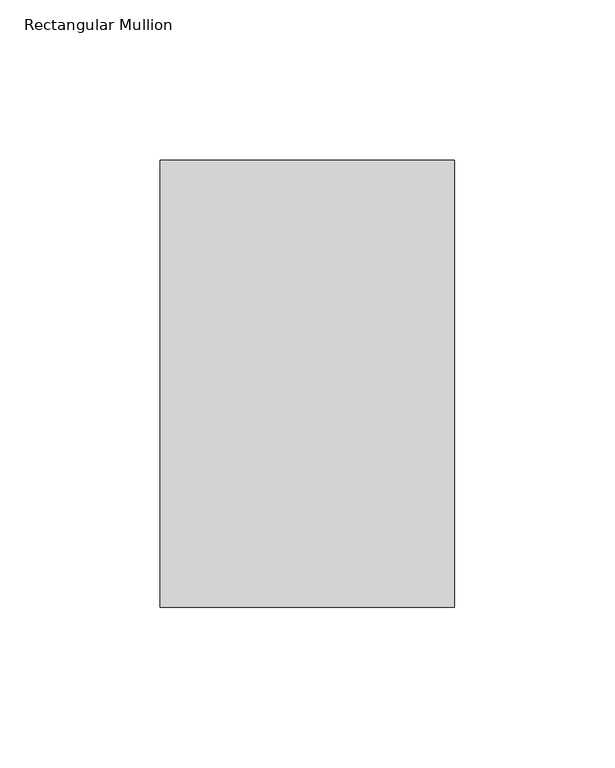
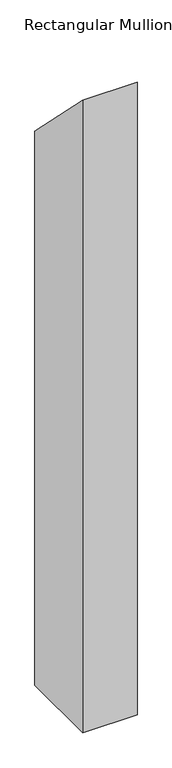
"""IFC4 building model written with IfcOpenShell, lengths in millimetres: member geometry, Rectangular Mullion."""

from ifc_helpers import new_model, si_unit, frame, origin, place, context, project, spatial, polyline, outline, extrude, source, transform, mapped, element, save


def rectangular_mullion_30ee9d08(model_context):
    return source(origin(), model_context, "Body", "SweptSolid", [
        extrude(outline(polyline([(50.8198168, -50.8198168), (190.4182179, -190.4182179), (190.4182179, -1181.4309706), (50.8198168, -1181.4309706), (50.8198168, -50.8198168)])), frame((-92.0626246, 0.0, 0.0), z_axis=(1.0, 0.0, 0.0), x_axis=(0.0, 1.0, 0.0)), (0.0, 0.0, 1.0), 92.0626246),
    ])


if __name__ == "__main__":
    model = new_model("IFC4")
    model_context = context("Model", 3, world=origin())
    ifc_project = project(units=[si_unit("LENGTHUNIT", "METRE", prefix="MILLI")], contexts=[model_context])
    site = spatial("IfcSite", under=ifc_project)
    building = spatial("IfcBuilding", under=site)
    placement = place(None, origin())
    rectangular_mullion_shape = rectangular_mullion_30ee9d08(model_context)
    element("IfcMember", 1, ObjectType="Rectangular Mullion", at=placement, inside=building, context=model_context, shape_type="MappedRepresentation", body=[
        mapped(rectangular_mullion_shape, transform((0.0, 0.0, 0.0), x_axis=(1.0, 0.0, 0.0), y_axis=(0.0, 1.0, 0.0), z_axis=(0.0, 0.0, 1.0))),
    ])
    save(model, "model.ifc")
